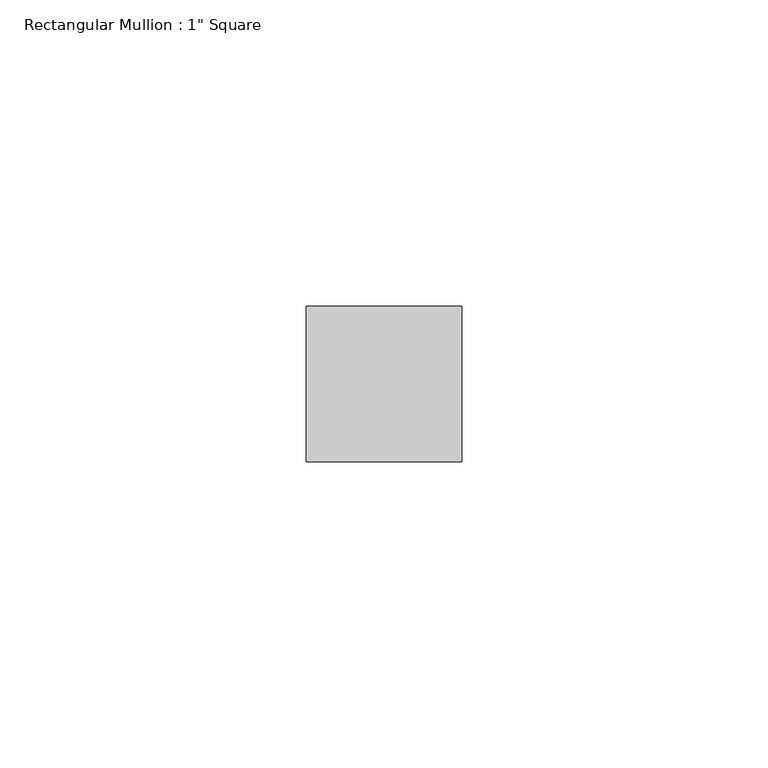
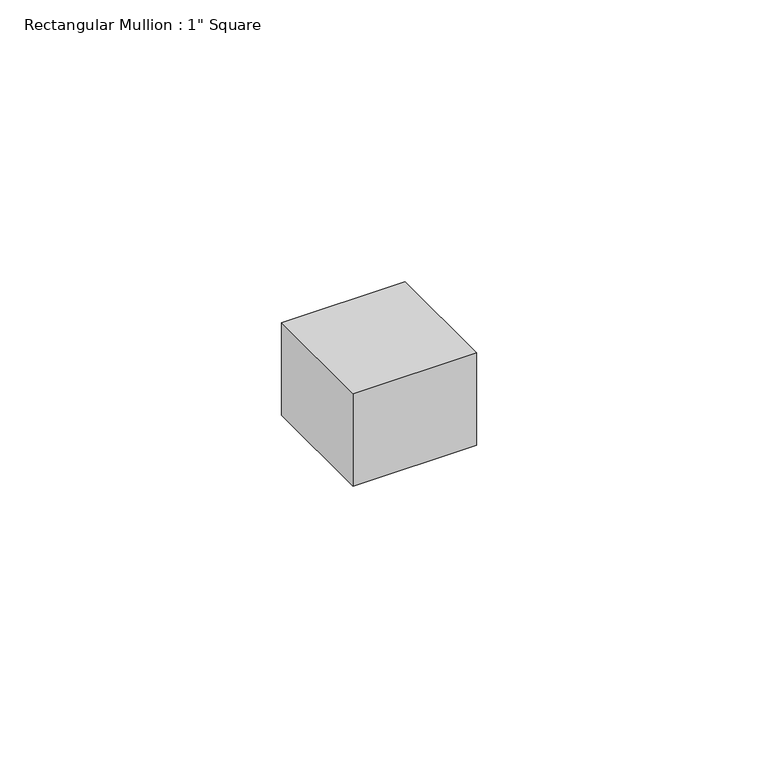
"""IFC4 building model written with IfcOpenShell, lengths in millimetres: member geometry."""

from ifc_helpers import new_model, si_unit, frame, origin, place, context, project, spatial, polyline, outline, extrude, source, transform, mapped, element, save


def member_feaafe79(model_context):
    return source(origin(), model_context, "Body", "SweptSolid", [
        extrude(outline(polyline([(0.0, 12.7), (0.0, -12.7), (-25.4, -12.7), (-25.4, 12.7), (0.0, 12.7)])), frame((0.0, 0.0, -20.1272685), z_axis=(0.0, 0.0, 1.0), x_axis=(1.0, 0.0, 0.0)), (0.0, 0.0, 1.0), 20.1272685),
    ])


if __name__ == "__main__":
    model = new_model("IFC4")
    model_context = context("Model", 3, world=origin())
    ifc_project = project(units=[si_unit("LENGTHUNIT", "METRE", prefix="MILLI")], contexts=[model_context])
    site = spatial("IfcSite", under=ifc_project)
    building = spatial("IfcBuilding", under=site)
    placement = place(None, origin())
    member_shape = member_feaafe79(model_context)
    element("IfcMember", 1, ObjectType="Rectangular Mullion : 1\" Square", at=placement, inside=building, context=model_context, shape_type="MappedRepresentation", body=[
        mapped(member_shape, transform((0.0, 0.0, 0.0), x_axis=(1.0, 0.0, 0.0), y_axis=(0.0, 1.0, 0.0), z_axis=(0.0, 0.0, 1.0))),
    ])
    save(model, "model.ifc")
